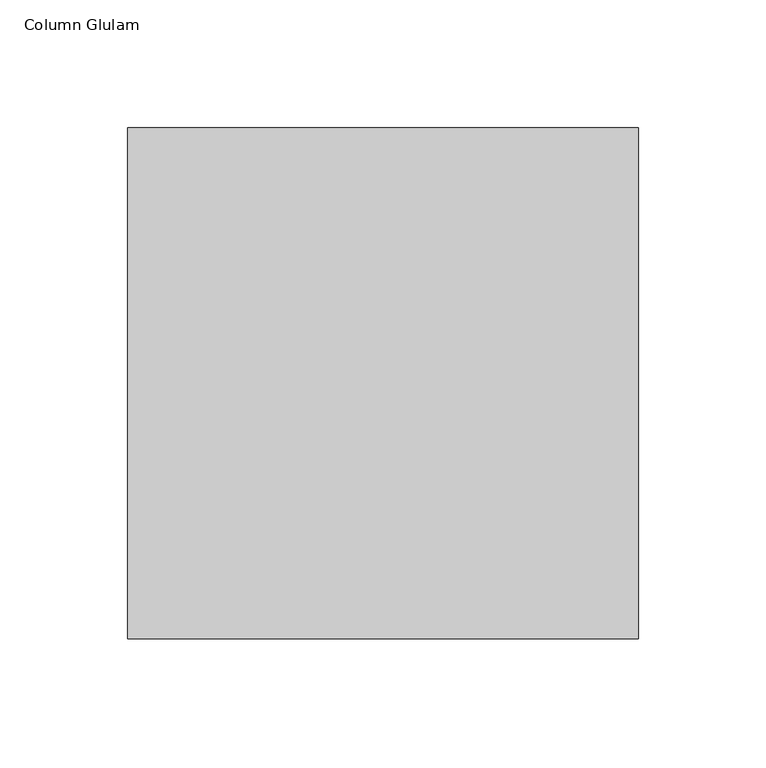
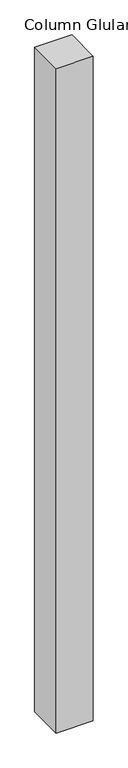
"""IFC4 building model written with IfcOpenShell, lengths in millimetres: column geometry, Column Glulam."""

from ifc_helpers import new_model, si_unit, origin, origin_with_axes, place, context, project, spatial, polyline, outline, extrude, source, transform, mapped, element, save


def column_glulam_6d7026c2(model_context):
    return source(origin(), model_context, "Body", "SweptSolid", [
        extrude(outline(polyline([(100.0, 100.0), (100.0, -100.0), (-100.0, -100.0), (-100.0, 100.0), (100.0, 100.0)])), origin_with_axes(), (0.0, 0.0, 1.0), 3784.0),
    ])


if __name__ == "__main__":
    model = new_model("IFC4")
    model_context = context("Model", 3, world=origin())
    ifc_project = project(units=[si_unit("LENGTHUNIT", "METRE", prefix="MILLI")], contexts=[model_context])
    site = spatial("IfcSite", under=ifc_project)
    building = spatial("IfcBuilding", under=site)
    placement = place(None, origin())
    column_glulam_shape = column_glulam_6d7026c2(model_context)
    element("IfcColumn", 1, ObjectType="Column Glulam", at=placement, inside=building, context=model_context, shape_type="MappedRepresentation", body=[
        mapped(column_glulam_shape, transform((0.0, 0.0, 0.0), x_axis=(1.0, 0.0, 0.0), y_axis=(0.0, 1.0, 0.0), z_axis=(0.0, 0.0, 1.0))),
    ])
    save(model, "model.ifc")
